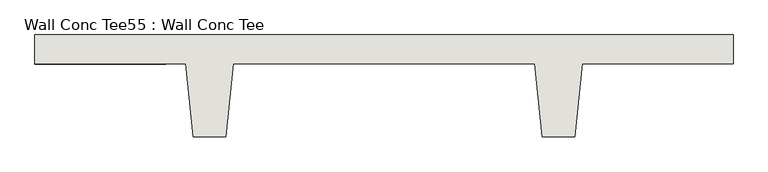
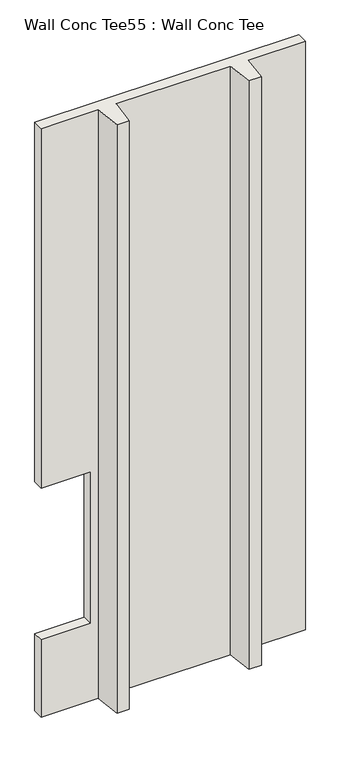
"""IFC4 building model written with IfcOpenShell, lengths in millimetres: wall geometry, Wall Conc Tee55 : Wall Conc Tee."""

from ifc_helpers import new_model, si_unit, origin, place, context, project, spatial, faceted_brep, source, transform, mapped, element, save


def wall_conc_tee55_wall_conc_tee_0563320e(model_context):
    return source(origin(), model_context, "Body", "Brep", [
        faceted_brep([(202400.6728488, 159042.8596581, 5884.1592564), (199962.2728488, 159042.8596581, 5884.1592564), (199962.2728488, 158941.2596581, 5884.1592564), (200489.3228488, 158941.2596581, 5884.1592564), (200514.7228488, 158687.2596581, 5884.1592564), (200629.0228488, 158687.2596581, 5884.1592564), (200654.4228488, 158941.2596581, 5884.1592564), (201708.5228488, 158941.2596581, 5884.1592564), (201733.9228488, 158687.2596581, 5884.1592564), (201848.2228488, 158687.2596581, 5884.1592564), (201873.6228488, 158941.2596581, 5884.1592564), (202400.6728488, 158941.2596581, 5884.1592564), (202400.6728488, 159042.8596581, 143.7592564), (202400.6728488, 158941.2596581, 143.7592564), (201873.6228488, 158941.2596581, 143.7592564), (201848.2228488, 158687.2596581, 143.7592564), (201733.9228488, 158687.2596581, 143.7592564), (201708.5228488, 158941.2596581, 143.7592564), (200654.4228488, 158941.2596581, 143.7592564), (200629.0228488, 158687.2596581, 143.7592564), (200514.7228488, 158687.2596581, 143.7592564), (200489.3228488, 158941.2596581, 143.7592564), (199962.2728488, 158941.2596581, 143.7592564), (199962.2728488, 159042.8596581, 143.7592564), (199962.2728488, 159042.8596581, 899.4092564), (200419.4728488, 159042.8596581, 899.4092564), (200419.4728488, 159042.8596581, 2378.9592564), (199962.2728488, 159042.8596581, 2378.9592564), (199962.2728488, 158941.2596581, 2378.9592564), (199962.2728488, 158941.2596581, 899.4092564), (200419.4728488, 158941.2596581, 2378.9592564), (200419.4728488, 158941.2596581, 899.4092564)], [[[0, 1, 2, 3, 4, 5, 6, 7, 8, 9, 10, 11]], [[12, 13, 14, 15, 16, 17, 18, 19, 20, 21, 22, 23]], [[1, 0, 12, 23, 24, 25, 26, 27]], [[2, 1, 27, 28]], [[23, 22, 29, 24]], [[3, 2, 28, 30, 31, 29, 22, 21]], [[4, 3, 21, 20]], [[5, 4, 20, 19]], [[6, 5, 19, 18]], [[7, 6, 18, 17]], [[8, 7, 17, 16]], [[9, 8, 16, 15]], [[10, 9, 15, 14]], [[11, 10, 14, 13]], [[0, 11, 13, 12]], [[31, 25, 24, 29]], [[25, 31, 30, 26]], [[26, 30, 28, 27]]]),
    ])


if __name__ == "__main__":
    model = new_model("IFC4")
    model_context = context("Model", 3, world=origin())
    ifc_project = project(units=[si_unit("LENGTHUNIT", "METRE", prefix="MILLI")], contexts=[model_context])
    site = spatial("IfcSite", under=ifc_project)
    building = spatial("IfcBuilding", under=site)
    placement = place(None, origin())
    wall_conc_tee55_wall_conc_tee_shape = wall_conc_tee55_wall_conc_tee_0563320e(model_context)
    element("IfcWall", 1, ObjectType="Wall Conc Tee55 : Wall Conc Tee", at=placement, inside=building, context=model_context, shape_type="MappedRepresentation", body=[
        mapped(wall_conc_tee55_wall_conc_tee_shape, transform((0.0, 0.0, 0.0), x_axis=(1.0, 0.0, 0.0), y_axis=(0.0, 1.0, 0.0), z_axis=(0.0, 0.0, 1.0))),
    ])
    save(model, "model.ifc")
